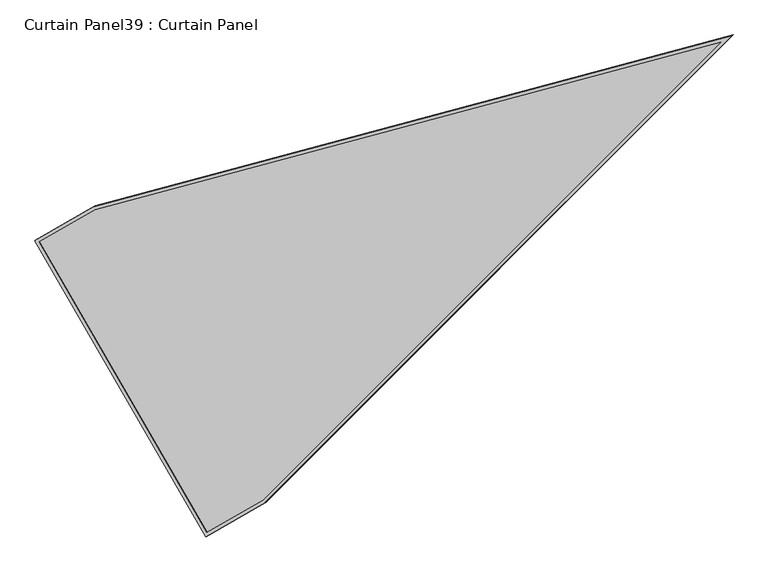
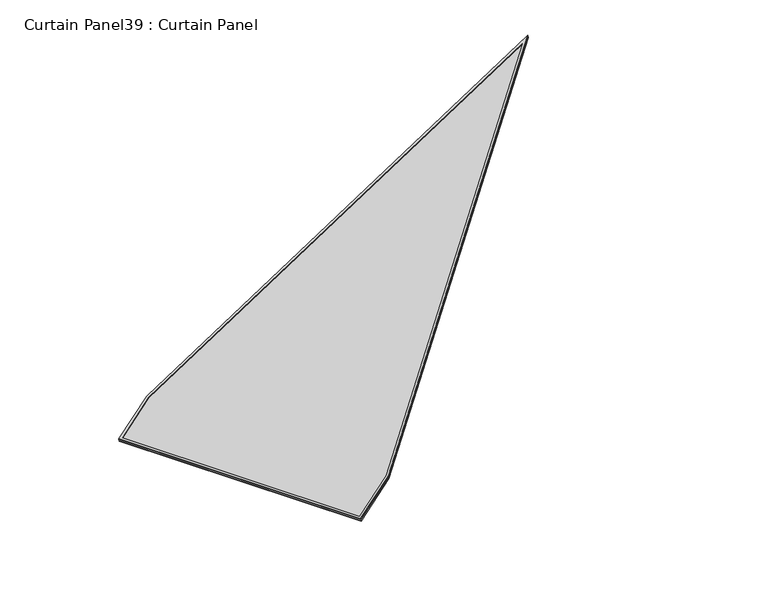
"""IFC4 building model written with IfcOpenShell, lengths in millimetres: plate geometry, Curtain Panel39 : Curtain Panel."""

from ifc_helpers import new_model, si_unit, frame, origin, place, context, project, spatial, polyline, outline, extrude, source, transform, mapped, element, save


def curtain_panel39_curtain_panel_f14806f6(model_context):
    return source(origin(), model_context, "Body", "SweptSolid", [
        extrude(outline(polyline([(847.432027, -3689.1827044), (0.0, -355.5429688), (0.0, 0.0), (1694.8442516, 0.0), (1694.8442516, -355.6208678), (847.432027, -3689.1827044)]), holes=[polyline([(1678.1814537, -16.6627978), (16.6627979, -16.6627978), (16.6627978, -353.4582275), (847.432027, -3621.54962), (1678.1814537, -353.5361264), (1678.1814537, -16.6627978)])]), frame((9632.4342926, -1174.5569525, 1932.1006431), z_axis=(-0.2737903148616805, -0.15807291198690107, 0.9487106081329139), x_axis=(-0.49999999999998856, 0.8660254037844453, 0.0)), (0.0, 0.0, 1.0), 4.8325478),
        extrude(outline(polyline([(847.432027, -3689.1827044), (0.0, -355.5429689), (0.0, 0.0), (1694.8442516, 0.0), (1694.8442517, -355.6208679), (847.432027, -3689.1827044)]), holes=[polyline([(1684.5314537, -10.3127979), (10.3127979, -10.3127979), (10.3127979, -354.2526984), (847.432027, -3647.3238081), (1684.5314538, -354.3305974), (1684.5314537, -10.3127979)])]), frame((9637.2601775, -1171.7707266, 1915.3784729), z_axis=(-0.2737903148616879, -0.1580729119869055, 0.9487106081329111), x_axis=(-0.49999999999998895, 0.866025403784445, 0.0)), (0.0, 0.0, 1.0), 4.8220694),
        extrude(outline(polyline([(12.7000001, 0.0), (1707.5442516, 0.0), (1707.5442516, -355.6208679), (860.1320271, -3689.1827045), (12.7, -355.542969), (12.7000001, 0.0)])), frame((9642.2899416, -1183.5314878, 1919.9532213), z_axis=(-0.27379031486168026, -0.15807291198690102, 0.948710608132914), x_axis=(-0.49999999999999384, 0.8660254037844423, 0.0)), (0.0, 0.0, 1.0), 12.8041382),
    ])


if __name__ == "__main__":
    model = new_model("IFC4")
    model_context = context("Model", 3, world=origin())
    ifc_project = project(units=[si_unit("LENGTHUNIT", "METRE", prefix="MILLI")], contexts=[model_context])
    site = spatial("IfcSite", under=ifc_project)
    building = spatial("IfcBuilding", under=site)
    placement = place(None, origin())
    curtain_panel39_curtain_panel_shape = curtain_panel39_curtain_panel_f14806f6(model_context)
    element("IfcPlate", 1, ObjectType="Curtain Panel39 : Curtain Panel", at=placement, inside=building, context=model_context, shape_type="MappedRepresentation", body=[
        mapped(curtain_panel39_curtain_panel_shape, transform((0.0, 0.0, 0.0), x_axis=(1.0, 0.0, 0.0), y_axis=(0.0, 1.0, 0.0), z_axis=(0.0, 0.0, 1.0))),
    ])
    save(model, "model.ifc")
